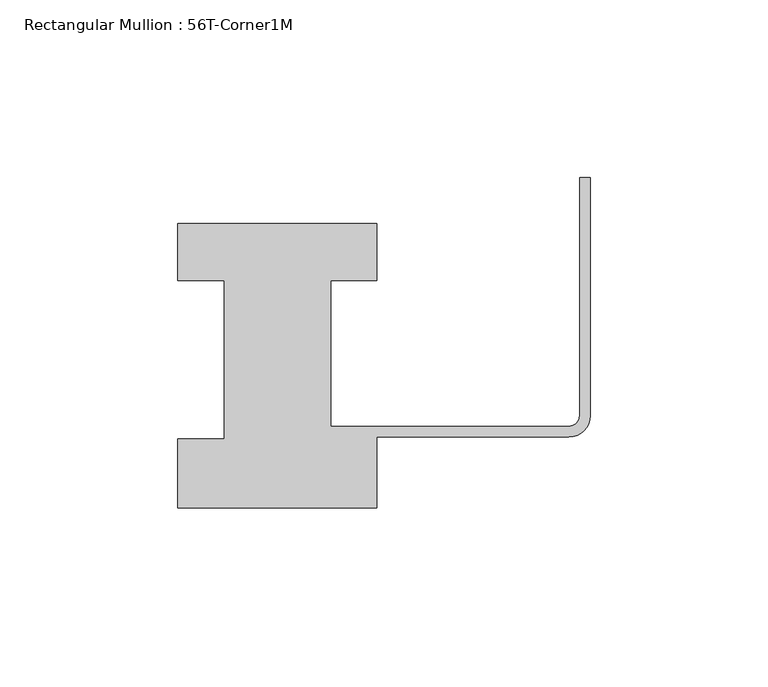
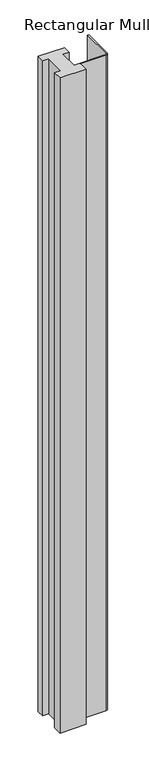
"""IFC4 building model written with IfcOpenShell, lengths in millimetres: member geometry, Rectangular Mullion : 56T-Corner1M."""

import ifcopenshell
import ifcopenshell.guid

model = None  # the IFC model being written
_history = None  # IfcOwnerHistory: only IFC2X3 demands one
_inside = {}  # id of a spatial element -> (the spatial element, [elements in it])
_under = {}  # id of a project, library or spatial element -> (it, [spatial elements below it])
_declared = {}  # id of a project -> (the project, [libraries it declares])
_typed = {}  # id of a type object -> (the type object, [elements of that type])
_made_of = {}  # id of a material, layer set ... -> (it, [elements and type objects made of it])


def new_model(schema):
    """Start an empty IFC model of exactly this schema.

    Asked for "IFC4X3", IfcOpenShell would pick the latest addendum, in which some entities
    have other attributes; the version numbers below select the first issue.
    IFC2X3 requires an IfcOwnerHistory on every rooted entity: one is made here for all.
    """
    global model, _history
    if schema == "IFC4X3":
        model = ifcopenshell.file(schema_version=(4, 3, 0, 0))
    else:
        model = ifcopenshell.file(schema=schema)
    _inside.clear()
    _under.clear()
    _declared.clear()
    _typed.clear()
    _made_of.clear()
    _history = None
    if model.schema == "IFC2X3":
        org = make("IfcOrganization", Name="unknown")
        user = make(
            "IfcPersonAndOrganization",
            ThePerson=make("IfcPerson", FamilyName="unknown"),
            TheOrganization=org,
        )
        app = make(
            "IfcApplication",
            ApplicationDeveloper=org,
            Version="unknown",
            ApplicationFullName="unknown",
            ApplicationIdentifier="unknown",
        )
        _history = make(
            "IfcOwnerHistory",
            OwningUser=user,
            OwningApplication=app,
            ChangeAction="ADDED",
            CreationDate=0,
        )
    return model


def make(cls, **values):
    """One entity of the class cls with the attributes given. An attribute that is None is left unset."""
    return model.create_entity(
        cls, **{name: value for name, value in values.items() if value is not None}
    )


def rooted(cls, **values):
    """An entity with a GlobalId (a new one), such as an element, a storey or a relation."""
    return make(cls, GlobalId=ifcopenshell.guid.new(), OwnerHistory=_history, **values)


def si_unit(unit_type, name, prefix=None):
    """IfcSIUnit, for example si_unit("LENGTHUNIT", "METRE", prefix="MILLI")."""
    return make("IfcSIUnit", UnitType=unit_type, Prefix=prefix, Name=name)


def assignment(units):
    """IfcUnitAssignment: the units of a project."""
    return None if units is None else make("IfcUnitAssignment", Units=units)


def point(xyz):
    """IfcCartesianPoint."""
    return None if xyz is None else make("IfcCartesianPoint", Coordinates=xyz)


def direction(xyz):
    """IfcDirection."""
    return None if xyz is None else make("IfcDirection", DirectionRatios=xyz)


def frame(location, z_axis=None, x_axis=None):
    """IfcAxis2Placement3D, a coordinate frame: its origin and axes. An axis left out is left unset."""
    return make(
        "IfcAxis2Placement3D",
        Location=point(location),
        Axis=direction(z_axis),
        RefDirection=direction(x_axis),
    )


def frame_2d(location, x_axis=None):
    """IfcAxis2Placement2D, a coordinate frame in the plane: its origin and x axis."""
    return make(
        "IfcAxis2Placement2D", Location=point(location), RefDirection=direction(x_axis)
    )


def origin():
    """The frame at (0, 0, 0) with its axes left unset."""
    return frame((0.0, 0.0, 0.0))


def place(relative_to, where):
    """IfcLocalPlacement: puts the frame where relative to a parent placement (None: the world)."""
    return make(
        "IfcLocalPlacement", PlacementRelTo=relative_to, RelativePlacement=where
    )


def context(
    kind, dimensions, precision=None, world=None, true_north=None, identifier=None
):
    """IfcGeometricRepresentationContext, for example the 3D "Model" context."""
    return make(
        "IfcGeometricRepresentationContext",
        ContextIdentifier=identifier,
        ContextType=kind,
        CoordinateSpaceDimension=dimensions,
        Precision=precision,
        WorldCoordinateSystem=world,
        TrueNorth=true_north,
    )


def project(units=None, contexts=None):
    """IfcProject with its units and contexts."""
    return rooted(
        "IfcProject",
        Name="project",
        RepresentationContexts=contexts,
        UnitsInContext=assignment(units),
    )


def spatial(cls, under=None, at=None, **own):
    """A site, building, storey or space (cls), placed at a placement, below another one or the project."""
    s = rooted(cls, ObjectPlacement=at, **own)
    if under is not None:
        _under.setdefault(under.id(), (under, []))[1].append(s)
    return s


def polyline(points):
    """IfcPolyline through the points."""
    return make("IfcPolyline", Points=[point(p) for p in points])


def circle_curve(where, radius):
    """IfcCircle in the frame where."""
    return make("IfcCircle", Position=where, Radius=radius)


def trimmed(basis, trim1, trim2, sense, master):
    """IfcTrimmedCurve: the piece of a basis curve between two trims."""
    return make(
        "IfcTrimmedCurve",
        BasisCurve=basis,
        Trim1=trim1,
        Trim2=trim2,
        SenseAgreement=sense,
        MasterRepresentation=master,
    )


def segment(curve, same_sense, transition):
    """IfcCompositeCurveSegment."""
    return make(
        "IfcCompositeCurveSegment",
        Transition=transition,
        SameSense=same_sense,
        ParentCurve=curve,
    )


def composite_curve(segments, self_intersect=None):
    """IfcCompositeCurve: segments joined end to end."""
    return make("IfcCompositeCurve", Segments=segments, SelfIntersect=self_intersect)


def outline(outer, holes=None, kind="AREA"):
    """IfcArbitraryClosedProfileDef: a profile drawn as a closed curve; with holes, ...WithVoids."""
    if holes is None:
        return make("IfcArbitraryClosedProfileDef", ProfileType=kind, OuterCurve=outer)
    return make(
        "IfcArbitraryProfileDefWithVoids",
        ProfileType=kind,
        OuterCurve=outer,
        InnerCurves=holes,
    )


def extrude(swept, where, along, depth):
    """IfcExtrudedAreaSolid: the profile swept, set in the frame where, extruded along a direction by depth."""
    return make(
        "IfcExtrudedAreaSolid",
        SweptArea=swept,
        Position=where,
        ExtrudedDirection=direction(along),
        Depth=depth,
    )


def shape(context_of_items, identifier, shape_type, items):
    """IfcShapeRepresentation: the items that make up one representation, for example the "Body"."""
    return make(
        "IfcShapeRepresentation",
        ContextOfItems=context_of_items,
        RepresentationIdentifier=identifier,
        RepresentationType=shape_type,
        Items=items,
    )


def source(mapping_origin, context_of_items, identifier, shape_type, items):
    """IfcRepresentationMap: a shape defined once, which mapped items show again and again."""
    return make(
        "IfcRepresentationMap",
        MappingOrigin=mapping_origin,
        MappedRepresentation=shape(context_of_items, identifier, shape_type, items),
    )


def transform(
    local_origin,
    x_axis=None,
    y_axis=None,
    z_axis=None,
    scale=None,
    scale2=None,
    scale3=None,
    uniform=True,
):
    """IfcCartesianTransformationOperator3D, or its non-uniform kind. x_axis, y_axis, z_axis: its Axis1, 2, 3."""
    if uniform:
        return make(
            "IfcCartesianTransformationOperator3D",
            Axis1=direction(x_axis),
            Axis2=direction(y_axis),
            LocalOrigin=point(local_origin),
            Scale=scale,
            Axis3=direction(z_axis),
        )
    return make(
        "IfcCartesianTransformationOperator3DnonUniform",
        Axis1=direction(x_axis),
        Axis2=direction(y_axis),
        LocalOrigin=point(local_origin),
        Scale=scale,
        Axis3=direction(z_axis),
        Scale2=scale2,
        Scale3=scale3,
    )


def mapped(mapping_source, mapping_target):
    """IfcMappedItem: shows the shape of a source again, moved by a transform."""
    return make(
        "IfcMappedItem", MappingSource=mapping_source, MappingTarget=mapping_target
    )


def made_of(thing, what):
    """Note that an element or type object is made of a material, layer set ...; save() writes the relation."""
    if what is not None:
        _made_of.setdefault(what.id(), (what, []))[1].append(thing)
    return thing


def element(
    cls,
    number,
    at=None,
    inside=None,
    cuts=None,
    type_object=None,
    material=None,
    context=None,
    identifier="Body",
    shape_type=None,
    held_by="IfcProductDefinitionShape",
    body=None,
    shapes=None,
    **own,
):
    """One element of the class cls, such as IfcWall. Its Tag is "e" and its number.

    at: its placement. inside: the storey or other place that contains it. cuts: it is an
    opening in that element (IfcRelVoidsElement). A single representation is given by context,
    identifier, shape_type and body (its items); several are given by shapes. held_by: the class
    of the entity that holds the representations. save() writes the other relations.
    """
    e = rooted(cls, Tag="e%d" % number, ObjectPlacement=at, **own)
    if body is not None:
        shapes = [shape(context, identifier, shape_type, body)]
    if shapes is not None:
        e.Representation = make(held_by, Representations=shapes)
    if inside is not None:
        _inside.setdefault(inside.id(), (inside, []))[1].append(e)
    if cuts is not None:
        rooted(
            "IfcRelVoidsElement", RelatingBuildingElement=cuts, RelatedOpeningElement=e
        )
    if type_object is not None:
        _typed.setdefault(type_object.id(), (type_object, []))[1].append(e)
    return made_of(e, material)


def aggregate(whole, parts):
    """IfcRelAggregates: a whole, such as a stair, and the parts it consists of."""
    return rooted("IfcRelAggregates", RelatingObject=whole, RelatedObjects=parts)


def save(model, path):
    """Write the relations noted so far, then the file.

    IfcRelAggregates (storeys below a building ...), IfcRelContainedInSpatialStructure (elements
    in a storey), IfcRelDefinesByType, IfcRelAssociatesMaterial and IfcRelDeclares: one each for
    every whole, place, type object, material and project.
    """
    for whole, parts in _under.values():
        aggregate(whole, parts)
    for where, things in _inside.values():
        rooted(
            "IfcRelContainedInSpatialStructure",
            RelatedElements=things,
            RelatingStructure=where,
        )
    for kind, things in _typed.values():
        rooted("IfcRelDefinesByType", RelatedObjects=things, RelatingType=kind)
    for what, things in _made_of.values():
        rooted("IfcRelAssociatesMaterial", RelatedObjects=things, RelatingMaterial=what)
    for by, libraries in _declared.values():
        rooted("IfcRelDeclares", RelatingContext=by, RelatedDefinitions=libraries)
    model.write(path)


def rectangular_mullion_56t_corner1m_c5d98459(model_context):
    return source(origin(), model_context, "Body", "SweptSolid", [
        extrude(outline(composite_curve([segment(polyline([(-116.0, 44.0), (-116.0, 60.0), (-60.0, 60.0), (-60.0, 44.0), (-73.0, 44.0), (-73.0, 3.0), (-6.0, 3.0)]), True, "CONTINUOUS"), segment(trimmed(circle_curve(frame_2d((-6.0, 6.0)), 3.0), [point((-6.0, 3.0))], [point((-3.0, 6.0))], True, "CARTESIAN"), True, "CONTINUOUS"), segment(polyline([(-3.0, 6.0), (-3.0, 73.0), (0.0, 73.0), (0.0, 6.0)]), True, "CONTINUOUS"), segment(trimmed(circle_curve(frame_2d((-6.0, 6.0)), 6.0), [point((0.0, 6.0))], [point((-6.0, 0.0))], False, "CARTESIAN"), True, "CONTINUOUS"), segment(polyline([(-6.0, 0.0), (-60.0, 0.0), (-60.0, -20.0), (-116.0, -20.0), (-116.0, -0.5), (-103.0, -0.5), (-103.0, 44.0), (-116.0, 44.0)]), True, "CONTINUOUS")], self_intersect=False)), frame((0.0, 0.0, -1477.534293), z_axis=(0.0, 0.0, 1.0), x_axis=(1.0, 0.0, 0.0)), (0.0, 0.0, 1.0), 1477.534293),
    ])


if __name__ == "__main__":
    model = new_model("IFC4")
    model_context = context("Model", 3, world=origin())
    ifc_project = project(units=[si_unit("LENGTHUNIT", "METRE", prefix="MILLI")], contexts=[model_context])
    site = spatial("IfcSite", under=ifc_project)
    building = spatial("IfcBuilding", under=site)
    placement = place(None, origin())
    rectangular_mullion_56t_corner1m_shape = rectangular_mullion_56t_corner1m_c5d98459(model_context)
    element("IfcMember", 1, ObjectType="Rectangular Mullion : 56T-Corner1M", at=placement, inside=building, context=model_context, shape_type="MappedRepresentation", body=[
        mapped(rectangular_mullion_56t_corner1m_shape, transform((0.0, 0.0, 0.0), x_axis=(1.0, 0.0, 0.0), y_axis=(0.0, 1.0, 0.0), z_axis=(0.0, 0.0, 1.0))),
    ])
    save(model, "model.ifc")
